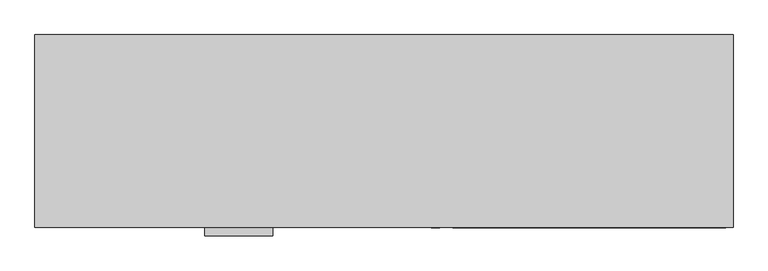
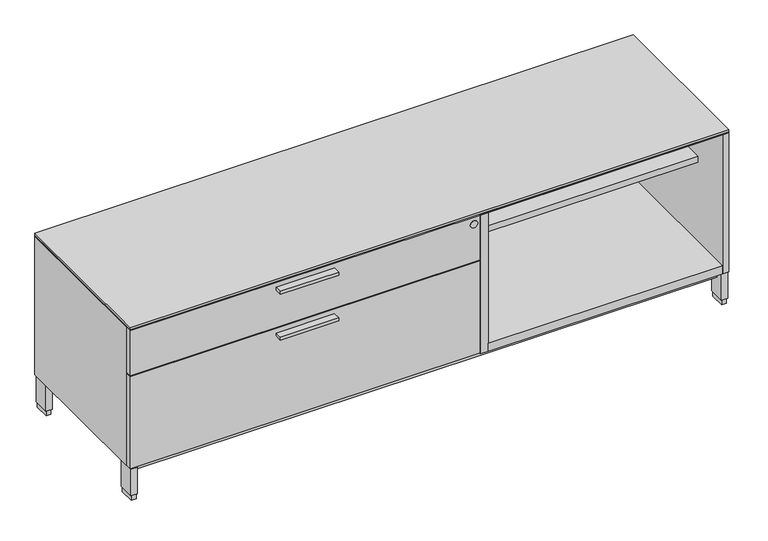
"""IFC4 building model written with IfcOpenShell, lengths in millimetres: furniture geometry."""

from ifc_helpers import new_model, si_unit, point, frame, frame_2d, origin, origin_with_axes, place, context, project, spatial, polyline, circle_curve, trimmed, segment, composite_curve, outline, extrude, source, transform, mapped, element, save


def furniture_58a37e27(model_context):
    return source(origin(), model_context, "Body", "SweptSolid", [
        extrude(outline(polyline([(623.8875, -528.574), (446.0875, -528.574), (446.0875, -506.349), (623.8875, -506.349), (623.8875, -528.574)])), frame((0.0, 0.0, 379.09246), z_axis=(0.0, 0.0, 1.0), x_axis=(1.0, 0.0, 0.0)), (0.0, 0.0, 1.0), 9.525),
        extrude(outline(polyline([(623.8875, -528.574), (446.0875, -528.574), (446.0875, -506.349), (623.8875, -506.349), (623.8875, -528.574)])), frame((0.0, 0.0, 526.53946), z_axis=(0.0, 0.0, 1.0), x_axis=(1.0, 0.0, 0.0)), (0.0, 0.0, 1.0), 9.525),
        extrude(outline(polyline([(1093.7875, -20.828), (1807.7815, -20.828), (1807.7815, -506.349), (1093.7875, -506.349), (1093.7875, -20.828)])), frame((0.0, 0.0, 103.2002), z_axis=(0.0, 0.0, 1.0), x_axis=(1.0, 0.0, 0.0)), (0.0, 0.0, 1.0), 25.4),
        extrude(outline(polyline([(1.5875, -1.524), (1827.2125, -1.524), (1827.2125, -506.349), (1068.3875, -506.349), (1068.3875, -487.172), (1.5875, -487.172), (1.5875, -1.524)])), frame((0.0, 0.0, 550.8752), z_axis=(0.0, 0.0, 1.0), x_axis=(1.0, 0.0, 0.0)), (0.0, 0.0, 1.0), 1.5875),
        extrude(outline(polyline([(1093.7875, -20.828), (1807.7815, -20.828), (1807.7815, -375.8184), (1093.7875, -375.8184), (1093.7875, -20.828)])), frame((0.0, 0.0, 383.0828), z_axis=(0.0, 0.0, 1.0), x_axis=(1.0, 0.0, 0.0)), (0.0, 0.0, 1.0), 20.3454),
        extrude(outline(polyline([(1068.3875, -20.828), (1093.7875, -20.828), (1093.7875, -506.349), (1068.3875, -506.349), (1068.3875, -20.828)])), frame((0.0, 0.0, 103.2002), z_axis=(0.0, 0.0, 1.0), x_axis=(1.0, 0.0, 0.0)), (0.0, 0.0, 1.0), 447.675),
        extrude(outline(polyline([(21.2979, -5.715), (21.2979, -52.197), (6.5659, -52.197), (6.5659, -5.715), (21.2979, -5.715)])), origin_with_axes(), (0.0, 0.0, 1.0), 17.399),
        extrude(outline(polyline([(21.2979, -455.676), (21.2979, -502.158), (6.5659, -502.158), (6.5659, -455.676), (21.2979, -455.676)])), origin_with_axes(), (0.0, 0.0, 1.0), 17.399),
        extrude(outline(polyline([(1822.2341, -455.676), (1822.2341, -502.158), (1807.5021, -502.158), (1807.5021, -455.676), (1822.2341, -455.676)])), origin_with_axes(), (0.0, 0.0, 1.0), 17.399),
        extrude(outline(polyline([(1822.2341, -5.715), (1822.2341, -52.197), (1807.5021, -52.197), (1807.5021, -5.715), (1822.2341, -5.715)])), origin_with_axes(), (0.0, 0.0, 1.0), 17.399),
        extrude(outline(polyline([(23.4569, -3.556), (23.4569, -54.356), (4.4069, -54.356), (4.4069, -3.556), (23.4569, -3.556)])), frame((0.0, 0.0, 17.399), z_axis=(0.0, 0.0, 1.0), x_axis=(1.0, 0.0, 0.0)), (0.0, 0.0, 1.0), 85.8012),
        extrude(outline(polyline([(1824.3931, -3.556), (1824.3931, -54.356), (1805.3431, -54.356), (1805.3431, -3.556), (1824.3931, -3.556)])), frame((0.0, 0.0, 17.399), z_axis=(0.0, 0.0, 1.0), x_axis=(1.0, 0.0, 0.0)), (0.0, 0.0, 1.0), 85.8012),
        extrude(outline(polyline([(1824.3931, -453.517), (1824.3931, -504.317), (1805.3431, -504.317), (1805.3431, -453.517), (1824.3931, -453.517)])), frame((0.0, 0.0, 17.399), z_axis=(0.0, 0.0, 1.0), x_axis=(1.0, 0.0, 0.0)), (0.0, 0.0, 1.0), 85.8012),
        extrude(outline(polyline([(23.4569, -453.517), (23.4569, -504.317), (4.4069, -504.317), (4.4069, -453.517), (23.4569, -453.517)])), frame((0.0, 0.0, 17.399), z_axis=(0.0, 0.0, 1.0), x_axis=(1.0, 0.0, 0.0)), (0.0, 0.0, 1.0), 85.8012),
        extrude(outline(polyline([(1805.3431, -26.99766), (1805.3431, -480.87534), (23.4569, -480.87534), (23.4569, -26.99766), (1805.3431, -26.99766)])), frame((0.0, 0.0, 77.8002), z_axis=(0.0, 0.0, 1.0), x_axis=(1.0, 0.0, 0.0)), (0.0, 0.0, 1.0), 25.4),
        extrude(outline(composite_curve([segment(trimmed(circle_curve(frame_2d((528.3708, 1049.3375)), 11.176), [point((528.3708, 1060.5135))], [point((528.3708, 1038.1615))], False, "CARTESIAN"), True, "CONTINUOUS"), segment(trimmed(circle_curve(frame_2d((528.3708, 1049.3375)), 11.176), [point((528.3708, 1038.1615))], [point((528.3708, 1060.5135))], False, "CARTESIAN"), True, "CONTINUOUS")], self_intersect=False)), frame((0.0, -506.9614948, 0.0), z_axis=(0.0, 1.0, 0.0), x_axis=(0.0, 0.0, 1.0)), (0.0, 0.0, 1.0), 5.0524148),
        extrude(outline(polyline([(1068.3875, -487.172), (1068.3875, -506.349), (1.5875, -506.349), (1.5875, -487.172), (1068.3875, -487.172)])), frame((0.0, 0.0, 106.3752), z_axis=(0.0, 0.0, 1.0), x_axis=(1.0, 0.0, 0.0)), (0.0, 0.0, 1.0), 297.053),
        extrude(outline(polyline([(1068.3875, -487.172), (1068.3875, -506.349), (1.5875, -506.349), (1.5875, -487.172), (1068.3875, -487.172)])), frame((0.0, 0.0, 406.6032), z_axis=(0.0, 0.0, 1.0), x_axis=(1.0, 0.0, 0.0)), (0.0, 0.0, 1.0), 144.272),
        extrude(outline(polyline([(1827.2125, -506.349), (1.5875, -506.349), (1.5875, -1.524), (1827.2125, -1.524), (1827.2125, -506.349)])), frame((0.0, 0.0, 554.0502), z_axis=(0.0, 0.0, 1.0), x_axis=(1.0, 0.0, 0.0)), (0.0, 0.0, 1.0), 6.35),
        extrude(outline(polyline([(1.5875, -1.524), (1827.2125, -1.524), (1827.2125, -506.349), (1807.7815, -506.349), (1807.7815, -20.828), (21.0185, -20.828), (21.0185, -483.2858), (1.5875, -483.2858), (1.5875, -1.524)])), frame((0.0, 0.0, 103.2002), z_axis=(0.0, 0.0, 1.0), x_axis=(1.0, 0.0, 0.0)), (0.0, 0.0, 1.0), 447.675),
    ])


if __name__ == "__main__":
    model = new_model("IFC4")
    model_context = context("Model", 3, world=origin())
    ifc_project = project(units=[si_unit("LENGTHUNIT", "METRE", prefix="MILLI")], contexts=[model_context])
    site = spatial("IfcSite", under=ifc_project)
    building = spatial("IfcBuilding", under=site)
    placement = place(None, origin())
    furniture_shape = furniture_58a37e27(model_context)
    element("IfcFurniture", 1, at=placement, inside=building, context=model_context, shape_type="MappedRepresentation", body=[
        mapped(furniture_shape, transform((0.0, 0.0, 0.0), x_axis=(1.0, 0.0, 0.0), y_axis=(0.0, 1.0, 0.0), z_axis=(0.0, 0.0, 1.0))),
    ])
    save(model, "model.ifc")
